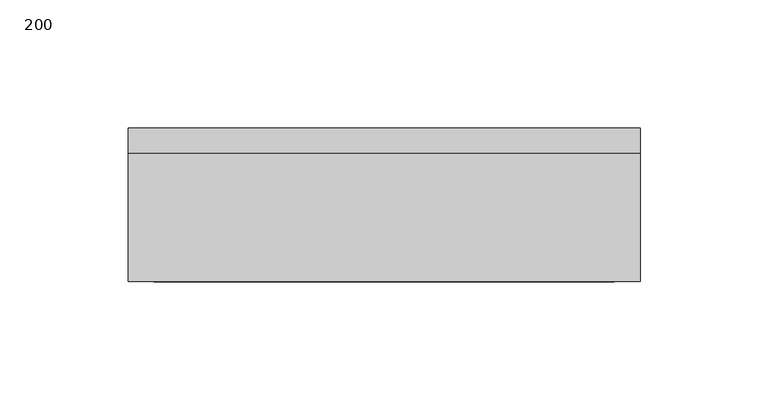
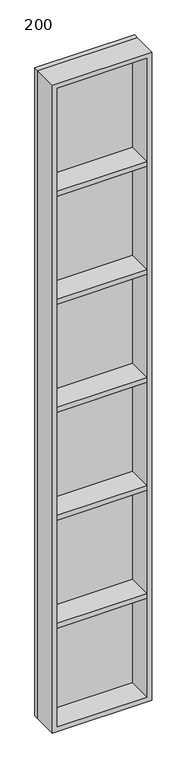
"""IFC4 building model written with IfcOpenShell, lengths in millimetres: proxy geometry, 200."""

from ifc_helpers import new_model, si_unit, frame, origin, origin_with_axes, place, context, project, spatial, polyline, outline, extrude, source, transform, mapped, element, save


def proxy_200_4b6d9aac(model_context):
    return source(origin(), model_context, "Body", "SweptSolid", [
        extrude(outline(polyline([(190.0, -60.0), (10.0, -60.0), (10.0, -10.0), (190.0, -10.0), (190.0, -60.0)])), frame((0.0, 0.0, 219.1666667), z_axis=(0.0, 0.0, 1.0), x_axis=(1.0, 0.0, 0.0)), (0.0, 0.0, 1.0), 10.0),
        extrude(outline(polyline([(190.0, -60.0), (10.0, -60.0), (10.0, -10.0), (190.0, -10.0), (190.0, -60.0)])), frame((0.0, 0.0, 448.3333333), z_axis=(0.0, 0.0, 1.0), x_axis=(1.0, 0.0, 0.0)), (0.0, 0.0, 1.0), 10.0),
        extrude(outline(polyline([(190.0, -60.0), (10.0, -60.0), (10.0, -10.0), (190.0, -10.0), (190.0, -60.0)])), frame((0.0, 0.0, 677.5), z_axis=(0.0, 0.0, 1.0), x_axis=(1.0, 0.0, 0.0)), (0.0, 0.0, 1.0), 10.0),
        extrude(outline(polyline([(190.0, -60.0), (10.0, -60.0), (10.0, -10.0), (190.0, -10.0), (190.0, -60.0)])), frame((0.0, 0.0, 906.6666667), z_axis=(0.0, 0.0, 1.0), x_axis=(1.0, 0.0, 0.0)), (0.0, 0.0, 1.0), 10.0),
        extrude(outline(polyline([(190.0, -60.0), (10.0, -60.0), (10.0, -10.0), (190.0, -10.0), (190.0, -60.0)])), frame((0.0, 0.0, 1135.8333333), z_axis=(0.0, 0.0, 1.0), x_axis=(1.0, 0.0, 0.0)), (0.0, 0.0, 1.0), 10.0),
        extrude(outline(polyline([(1375.0, 200.0), (1375.0, 0.0), (0.0, 0.0), (0.0, 200.0), (1375.0, 200.0)]), holes=[polyline([(1365.0, 190.0), (10.0, 190.0), (10.0, 10.0), (1365.0, 10.0), (1365.0, 190.0)])]), frame((0.0, -60.0, 0.0), z_axis=(0.0, 1.0, 0.0), x_axis=(0.0, 0.0, 1.0)), (0.0, 0.0, 1.0), 50.0),
        extrude(outline(polyline([(200.0, -10.0), (0.0, -10.0), (0.0, 0.0), (200.0, 0.0), (200.0, -10.0)])), origin_with_axes(), (0.0, 0.0, 1.0), 1375.0),
    ])


if __name__ == "__main__":
    model = new_model("IFC4")
    model_context = context("Model", 3, world=origin())
    ifc_project = project(units=[si_unit("LENGTHUNIT", "METRE", prefix="MILLI")], contexts=[model_context])
    site = spatial("IfcSite", under=ifc_project)
    building = spatial("IfcBuilding", under=site)
    placement = place(None, origin())
    proxy_200_shape = proxy_200_4b6d9aac(model_context)
    element("IfcBuildingElementProxy", 1, Name="200", ObjectType="200", at=placement, inside=building, context=model_context, shape_type="MappedRepresentation", body=[
        mapped(proxy_200_shape, transform((0.0, 0.0, 0.0), x_axis=(1.0, 0.0, 0.0), y_axis=(0.0, 1.0, 0.0), z_axis=(0.0, 0.0, 1.0))),
    ])
    save(model, "model.ifc")
